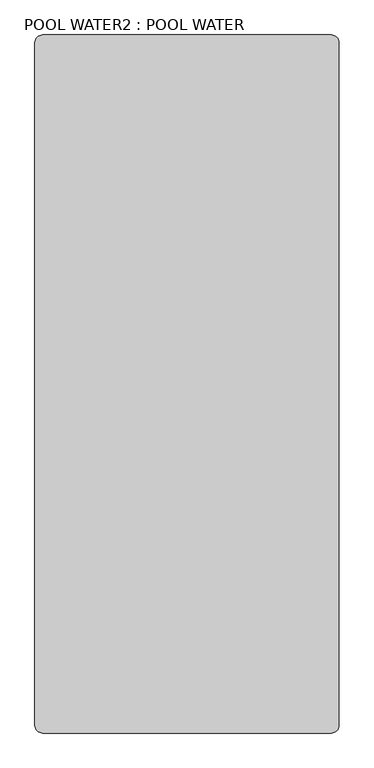
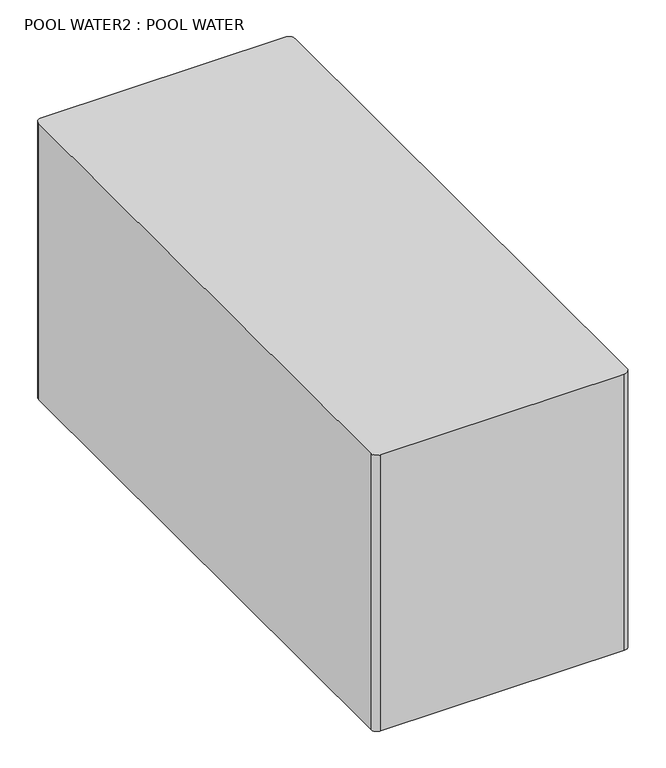
"""IFC4 building model written with IfcOpenShell, lengths in millimetres: geographic element geometry, POOL WATER2 : POOL WATER."""

from ifc_helpers import new_model, si_unit, point, frame, frame_2d, origin, place, context, project, spatial, polyline, circle_curve, trimmed, segment, composite_curve, outline, extrude, source, transform, mapped, element, save


def pool_water2_pool_water_87caee88(model_context):
    return source(origin(), model_context, "Body", "SweptSolid", [
        extrude(outline(composite_curve([segment(trimmed(circle_curve(frame_2d((42102.0440621, 1230.1483634)), 38.1), [point((42140.1440621, 1230.1483634))], [point((42102.0440621, 1192.0483634))], False, "CARTESIAN"), True, "CONTINUOUS"), segment(polyline([(42102.0440621, 1192.0483634), (40705.0440621, 1192.0483634)]), True, "CONTINUOUS"), segment(trimmed(circle_curve(frame_2d((40705.0440621, 1230.1483634)), 38.1), [point((40705.0440621, 1192.0483634))], [point((40666.9440621, 1230.1483634))], False, "CARTESIAN"), True, "CONTINUOUS"), segment(polyline([(40666.9440621, 1230.1483634), (40666.9440621, 4531.3646516)]), True, "CONTINUOUS"), segment(trimmed(circle_curve(frame_2d((40705.0440621, 4531.3646516)), 38.1), [point((40666.9440621, 4531.3646516))], [point((40705.0440621, 4569.4646516))], False, "CARTESIAN"), True, "CONTINUOUS"), segment(polyline([(40705.0440621, 4569.4646516), (42102.0440621, 4569.4646516)]), True, "CONTINUOUS"), segment(trimmed(circle_curve(frame_2d((42102.0440621, 4531.3646516)), 38.1), [point((42102.0440621, 4569.4646516))], [point((42140.1440621, 4531.3646516))], False, "CARTESIAN"), True, "CONTINUOUS"), segment(polyline([(42140.1440621, 4531.3646516), (42140.1440621, 1230.1483634)]), True, "CONTINUOUS")], self_intersect=False)), frame((0.0, 0.0, -1828.8), z_axis=(0.0, 0.0, 1.0), x_axis=(1.0, 0.0, 0.0)), (0.0, 0.0, 1.0), 1676.4),
    ])


if __name__ == "__main__":
    model = new_model("IFC4")
    model_context = context("Model", 3, world=origin())
    ifc_project = project(units=[si_unit("LENGTHUNIT", "METRE", prefix="MILLI")], contexts=[model_context])
    site = spatial("IfcSite", under=ifc_project)
    building = spatial("IfcBuilding", under=site)
    placement = place(None, origin())
    pool_water2_pool_water_shape = pool_water2_pool_water_87caee88(model_context)
    element("IfcGeographicElement", 1, ObjectType="POOL WATER2 : POOL WATER", at=placement, inside=building, context=model_context, shape_type="MappedRepresentation", body=[
        mapped(pool_water2_pool_water_shape, transform((0.0, 0.0, 0.0), x_axis=(1.0, 0.0, 0.0), y_axis=(0.0, 1.0, 0.0), z_axis=(0.0, 0.0, 1.0))),
    ])
    save(model, "model.ifc")
